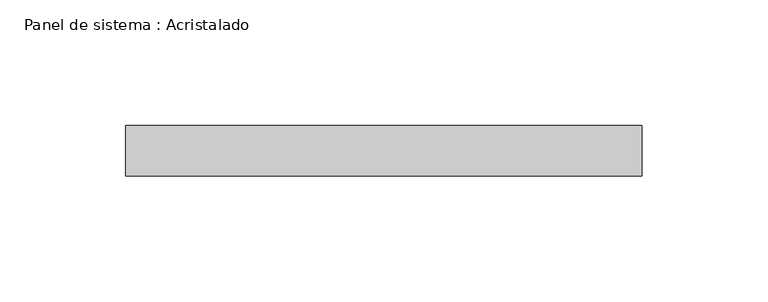
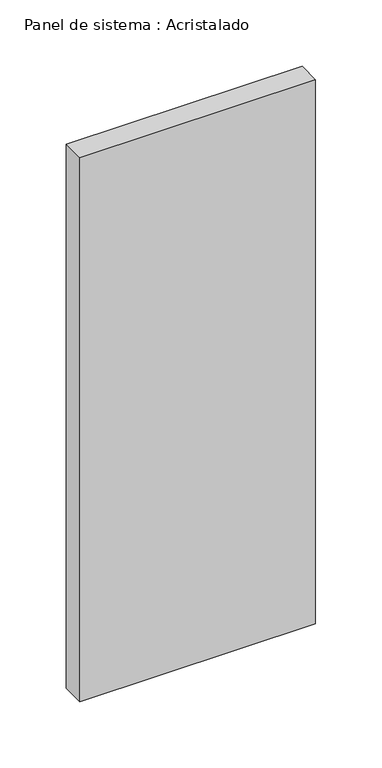
"""IFC4 building model written with IfcOpenShell, lengths in millimetres: plate geometry, Panel de sistema : Acristalado."""

import ifcopenshell
import ifcopenshell.guid

model = None  # the IFC model being written
_history = None  # IfcOwnerHistory: only IFC2X3 demands one
_inside = {}  # id of a spatial element -> (the spatial element, [elements in it])
_under = {}  # id of a project, library or spatial element -> (it, [spatial elements below it])
_declared = {}  # id of a project -> (the project, [libraries it declares])
_typed = {}  # id of a type object -> (the type object, [elements of that type])
_made_of = {}  # id of a material, layer set ... -> (it, [elements and type objects made of it])


def new_model(schema):
    """Start an empty IFC model of exactly this schema.

    Asked for "IFC4X3", IfcOpenShell would pick the latest addendum, in which some entities
    have other attributes; the version numbers below select the first issue.
    IFC2X3 requires an IfcOwnerHistory on every rooted entity: one is made here for all.
    """
    global model, _history
    if schema == "IFC4X3":
        model = ifcopenshell.file(schema_version=(4, 3, 0, 0))
    else:
        model = ifcopenshell.file(schema=schema)
    _inside.clear()
    _under.clear()
    _declared.clear()
    _typed.clear()
    _made_of.clear()
    _history = None
    if model.schema == "IFC2X3":
        org = make("IfcOrganization", Name="unknown")
        user = make(
            "IfcPersonAndOrganization",
            ThePerson=make("IfcPerson", FamilyName="unknown"),
            TheOrganization=org,
        )
        app = make(
            "IfcApplication",
            ApplicationDeveloper=org,
            Version="unknown",
            ApplicationFullName="unknown",
            ApplicationIdentifier="unknown",
        )
        _history = make(
            "IfcOwnerHistory",
            OwningUser=user,
            OwningApplication=app,
            ChangeAction="ADDED",
            CreationDate=0,
        )
    return model


def make(cls, **values):
    """One entity of the class cls with the attributes given. An attribute that is None is left unset."""
    return model.create_entity(
        cls, **{name: value for name, value in values.items() if value is not None}
    )


def rooted(cls, **values):
    """An entity with a GlobalId (a new one), such as an element, a storey or a relation."""
    return make(cls, GlobalId=ifcopenshell.guid.new(), OwnerHistory=_history, **values)


def si_unit(unit_type, name, prefix=None):
    """IfcSIUnit, for example si_unit("LENGTHUNIT", "METRE", prefix="MILLI")."""
    return make("IfcSIUnit", UnitType=unit_type, Prefix=prefix, Name=name)


def assignment(units):
    """IfcUnitAssignment: the units of a project."""
    return None if units is None else make("IfcUnitAssignment", Units=units)


def point(xyz):
    """IfcCartesianPoint."""
    return None if xyz is None else make("IfcCartesianPoint", Coordinates=xyz)


def direction(xyz):
    """IfcDirection."""
    return None if xyz is None else make("IfcDirection", DirectionRatios=xyz)


def frame(location, z_axis=None, x_axis=None):
    """IfcAxis2Placement3D, a coordinate frame: its origin and axes. An axis left out is left unset."""
    return make(
        "IfcAxis2Placement3D",
        Location=point(location),
        Axis=direction(z_axis),
        RefDirection=direction(x_axis),
    )


def origin():
    """The frame at (0, 0, 0) with its axes left unset."""
    return frame((0.0, 0.0, 0.0))


def origin_with_axes():
    """The frame at (0, 0, 0) with the z axis (0, 0, 1) and the x axis (1, 0, 0) written out."""
    return frame((0.0, 0.0, 0.0), z_axis=(0.0, 0.0, 1.0), x_axis=(1.0, 0.0, 0.0))


def place(relative_to, where):
    """IfcLocalPlacement: puts the frame where relative to a parent placement (None: the world)."""
    return make(
        "IfcLocalPlacement", PlacementRelTo=relative_to, RelativePlacement=where
    )


def context(
    kind, dimensions, precision=None, world=None, true_north=None, identifier=None
):
    """IfcGeometricRepresentationContext, for example the 3D "Model" context."""
    return make(
        "IfcGeometricRepresentationContext",
        ContextIdentifier=identifier,
        ContextType=kind,
        CoordinateSpaceDimension=dimensions,
        Precision=precision,
        WorldCoordinateSystem=world,
        TrueNorth=true_north,
    )


def project(units=None, contexts=None):
    """IfcProject with its units and contexts."""
    return rooted(
        "IfcProject",
        Name="project",
        RepresentationContexts=contexts,
        UnitsInContext=assignment(units),
    )


def spatial(cls, under=None, at=None, **own):
    """A site, building, storey or space (cls), placed at a placement, below another one or the project."""
    s = rooted(cls, ObjectPlacement=at, **own)
    if under is not None:
        _under.setdefault(under.id(), (under, []))[1].append(s)
    return s


def polyline(points):
    """IfcPolyline through the points."""
    return make("IfcPolyline", Points=[point(p) for p in points])


def outline(outer, holes=None, kind="AREA"):
    """IfcArbitraryClosedProfileDef: a profile drawn as a closed curve; with holes, ...WithVoids."""
    if holes is None:
        return make("IfcArbitraryClosedProfileDef", ProfileType=kind, OuterCurve=outer)
    return make(
        "IfcArbitraryProfileDefWithVoids",
        ProfileType=kind,
        OuterCurve=outer,
        InnerCurves=holes,
    )


def extrude(swept, where, along, depth):
    """IfcExtrudedAreaSolid: the profile swept, set in the frame where, extruded along a direction by depth."""
    return make(
        "IfcExtrudedAreaSolid",
        SweptArea=swept,
        Position=where,
        ExtrudedDirection=direction(along),
        Depth=depth,
    )


def shape(context_of_items, identifier, shape_type, items):
    """IfcShapeRepresentation: the items that make up one representation, for example the "Body"."""
    return make(
        "IfcShapeRepresentation",
        ContextOfItems=context_of_items,
        RepresentationIdentifier=identifier,
        RepresentationType=shape_type,
        Items=items,
    )


def source(mapping_origin, context_of_items, identifier, shape_type, items):
    """IfcRepresentationMap: a shape defined once, which mapped items show again and again."""
    return make(
        "IfcRepresentationMap",
        MappingOrigin=mapping_origin,
        MappedRepresentation=shape(context_of_items, identifier, shape_type, items),
    )


def transform(
    local_origin,
    x_axis=None,
    y_axis=None,
    z_axis=None,
    scale=None,
    scale2=None,
    scale3=None,
    uniform=True,
):
    """IfcCartesianTransformationOperator3D, or its non-uniform kind. x_axis, y_axis, z_axis: its Axis1, 2, 3."""
    if uniform:
        return make(
            "IfcCartesianTransformationOperator3D",
            Axis1=direction(x_axis),
            Axis2=direction(y_axis),
            LocalOrigin=point(local_origin),
            Scale=scale,
            Axis3=direction(z_axis),
        )
    return make(
        "IfcCartesianTransformationOperator3DnonUniform",
        Axis1=direction(x_axis),
        Axis2=direction(y_axis),
        LocalOrigin=point(local_origin),
        Scale=scale,
        Axis3=direction(z_axis),
        Scale2=scale2,
        Scale3=scale3,
    )


def mapped(mapping_source, mapping_target):
    """IfcMappedItem: shows the shape of a source again, moved by a transform."""
    return make(
        "IfcMappedItem", MappingSource=mapping_source, MappingTarget=mapping_target
    )


def made_of(thing, what):
    """Note that an element or type object is made of a material, layer set ...; save() writes the relation."""
    if what is not None:
        _made_of.setdefault(what.id(), (what, []))[1].append(thing)
    return thing


def element(
    cls,
    number,
    at=None,
    inside=None,
    cuts=None,
    type_object=None,
    material=None,
    context=None,
    identifier="Body",
    shape_type=None,
    held_by="IfcProductDefinitionShape",
    body=None,
    shapes=None,
    **own,
):
    """One element of the class cls, such as IfcWall. Its Tag is "e" and its number.

    at: its placement. inside: the storey or other place that contains it. cuts: it is an
    opening in that element (IfcRelVoidsElement). A single representation is given by context,
    identifier, shape_type and body (its items); several are given by shapes. held_by: the class
    of the entity that holds the representations. save() writes the other relations.
    """
    e = rooted(cls, Tag="e%d" % number, ObjectPlacement=at, **own)
    if body is not None:
        shapes = [shape(context, identifier, shape_type, body)]
    if shapes is not None:
        e.Representation = make(held_by, Representations=shapes)
    if inside is not None:
        _inside.setdefault(inside.id(), (inside, []))[1].append(e)
    if cuts is not None:
        rooted(
            "IfcRelVoidsElement", RelatingBuildingElement=cuts, RelatedOpeningElement=e
        )
    if type_object is not None:
        _typed.setdefault(type_object.id(), (type_object, []))[1].append(e)
    return made_of(e, material)


def aggregate(whole, parts):
    """IfcRelAggregates: a whole, such as a stair, and the parts it consists of."""
    return rooted("IfcRelAggregates", RelatingObject=whole, RelatedObjects=parts)


def save(model, path):
    """Write the relations noted so far, then the file.

    IfcRelAggregates (storeys below a building ...), IfcRelContainedInSpatialStructure (elements
    in a storey), IfcRelDefinesByType, IfcRelAssociatesMaterial and IfcRelDeclares: one each for
    every whole, place, type object, material and project.
    """
    for whole, parts in _under.values():
        aggregate(whole, parts)
    for where, things in _inside.values():
        rooted(
            "IfcRelContainedInSpatialStructure",
            RelatedElements=things,
            RelatingStructure=where,
        )
    for kind, things in _typed.values():
        rooted("IfcRelDefinesByType", RelatedObjects=things, RelatingType=kind)
    for what, things in _made_of.values():
        rooted("IfcRelAssociatesMaterial", RelatedObjects=things, RelatingMaterial=what)
    for by, libraries in _declared.values():
        rooted("IfcRelDeclares", RelatingContext=by, RelatedDefinitions=libraries)
    model.write(path)


def panel_de_sistema_acristalado_4f85f2bc(model_context):
    return source(origin(), model_context, "Body", "SweptSolid", [
        extrude(outline(polyline([(102.5, -10.0), (-102.5, -10.0), (-102.5, 10.0), (102.5, 10.0), (102.5, -10.0)])), origin_with_axes(), (0.0, 0.0, 1.0), 500.0),
    ])


if __name__ == "__main__":
    model = new_model("IFC4")
    model_context = context("Model", 3, world=origin())
    ifc_project = project(units=[si_unit("LENGTHUNIT", "METRE", prefix="MILLI")], contexts=[model_context])
    site = spatial("IfcSite", under=ifc_project)
    building = spatial("IfcBuilding", under=site)
    placement = place(None, origin())
    panel_de_sistema_acristalado_shape = panel_de_sistema_acristalado_4f85f2bc(model_context)
    element("IfcPlate", 1, ObjectType="Panel de sistema : Acristalado", at=placement, inside=building, context=model_context, shape_type="MappedRepresentation", body=[
        mapped(panel_de_sistema_acristalado_shape, transform((0.0, 0.0, 0.0), x_axis=(1.0, 0.0, 0.0), y_axis=(0.0, 1.0, 0.0), z_axis=(0.0, 0.0, 1.0))),
    ])
    save(model, "model.ifc")
